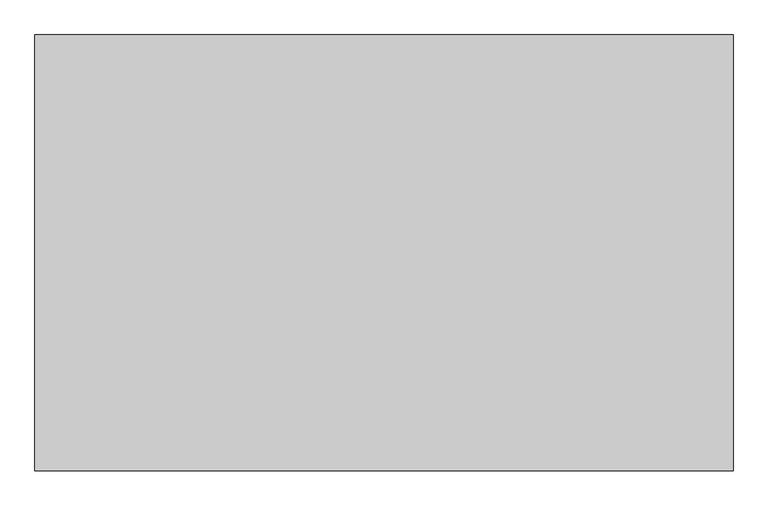
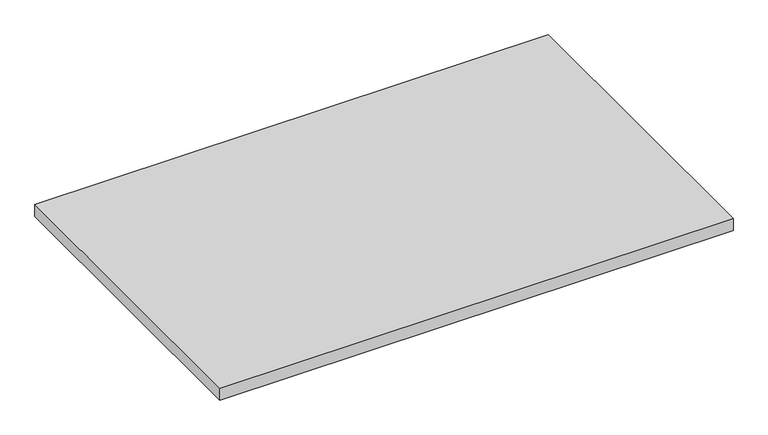
"""IFC4 building model written with IfcOpenShell, lengths in millimetres: furniture geometry."""

from ifc_helpers import new_model, si_unit, frame, origin, place, context, project, spatial, polyline, outline, extrude, source, transform, mapped, element, save


def furniture_a4cf619a(model_context):
    return source(origin(), model_context, "Body", "SweptSolid", [
        extrude(outline(polyline([(1219.1999999, -3.0467299), (1219.1999999, -762.0), (3.1750001, -762.0), (3.1750001, -3.0467299), (1219.1999999, -3.0467299)])), frame((0.0, 0.0, 674.878), z_axis=(0.0, 0.0, 1.0), x_axis=(1.0, 0.0, 0.0)), (0.0, 0.0, 1.0), 29.972),
    ])


if __name__ == "__main__":
    model = new_model("IFC4")
    model_context = context("Model", 3, world=origin())
    ifc_project = project(units=[si_unit("LENGTHUNIT", "METRE", prefix="MILLI")], contexts=[model_context])
    site = spatial("IfcSite", under=ifc_project)
    building = spatial("IfcBuilding", under=site)
    placement = place(None, origin())
    furniture_shape = furniture_a4cf619a(model_context)
    element("IfcFurniture", 1, at=placement, inside=building, context=model_context, shape_type="MappedRepresentation", body=[
        mapped(furniture_shape, transform((0.0, 0.0, 0.0), x_axis=(1.0, 0.0, 0.0), y_axis=(0.0, 1.0, 0.0), z_axis=(0.0, 0.0, 1.0))),
    ])
    save(model, "model.ifc")
